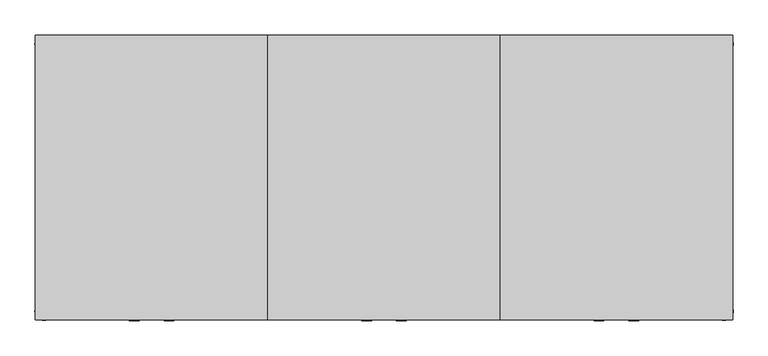
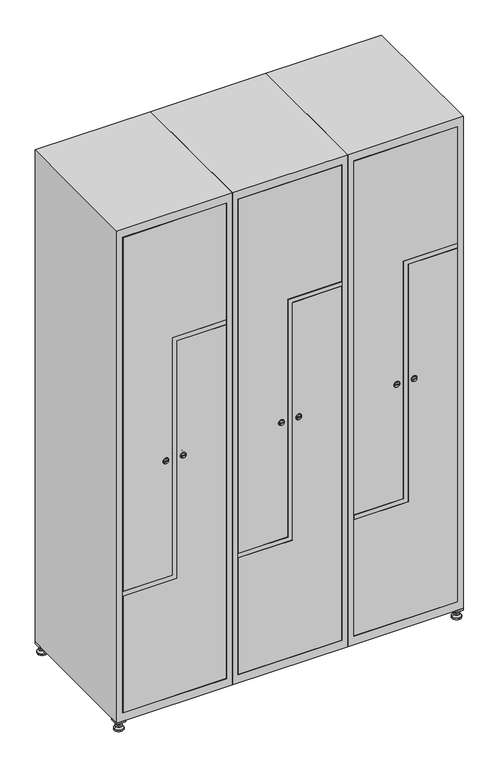
"""IFC4 building model written with IfcOpenShell, lengths in millimetres: furniture geometry."""

from ifc_helpers import new_model, si_unit, point, frame, frame_2d, origin, origin_with_axes, place, context, project, spatial, polyline, circle_curve, trimmed, segment, composite_curve, outline, extrude, faceted_brep, source, transform, mapped, element, save
from ifc_brep_helpers import plane_surface, revolved_surface, advanced_brep


def furniture_f9e3e058(model_context):
    return source(origin(), model_context, "Body", "SolidModel", [
        extrude(outline(polyline([(1000.0, 245.0), (1000.0, 215.0), (970.0, 215.0), (970.0, 245.0), (1000.0, 245.0)]), holes=[polyline([(998.0, 243.0), (972.0, 243.0), (972.0, 217.0), (998.0, 217.0), (998.0, 243.0)])]), frame((0.0, 0.0, 28.5), z_axis=(0.0, 0.0, 1.0), x_axis=(1.0, 0.0, 0.0)), (0.0, 0.0, 1.0), 6.5),
        extrude(outline(polyline([(970.0, -245.0), (970.0, -215.0), (1000.0, -215.0), (1000.0, -245.0), (970.0, -245.0)]), holes=[polyline([(972.0, -243.0), (998.0, -243.0), (998.0, -217.0), (972.0, -217.0), (972.0, -243.0)])]), frame((0.0, 0.0, 28.5), z_axis=(0.0, 0.0, 1.0), x_axis=(1.0, 0.0, 0.0)), (0.0, 0.0, 1.0), 6.5),
        extrude(outline(polyline([(-170.0, 245.0), (-170.0, 215.0), (-200.0, 215.0), (-200.0, 245.0), (-170.0, 245.0)]), holes=[polyline([(-172.0, 243.0), (-198.0, 243.0), (-198.0, 217.0), (-172.0, 217.0), (-172.0, 243.0)])]), frame((0.0, 0.0, 28.5), z_axis=(0.0, 0.0, 1.0), x_axis=(1.0, 0.0, 0.0)), (0.0, 0.0, 1.0), 6.5),
        extrude(outline(polyline([(-170.0, -215.0), (-170.0, -245.0), (-200.0, -245.0), (-200.0, -215.0), (-170.0, -215.0)]), holes=[polyline([(-198.0, -243.0), (-172.0, -243.0), (-172.0, -217.0), (-198.0, -217.0), (-198.0, -243.0)])]), frame((0.0, 0.0, 28.5), z_axis=(0.0, 0.0, 1.0), x_axis=(1.0, 0.0, 0.0)), (0.0, 0.0, 1.0), 6.5),
        extrude(outline(composite_curve([segment(trimmed(circle_curve(frame_2d((-185.0, 230.0)), 5.0), [point((-180.0, 230.0))], [point((-190.0, 230.0))], False, "CARTESIAN"), True, "CONTINUOUS"), segment(trimmed(circle_curve(frame_2d((-185.0, 230.0)), 5.0), [point((-190.0, 230.0))], [point((-180.0, 230.0))], False, "CARTESIAN"), True, "CONTINUOUS")], self_intersect=False)), frame((0.0, 0.0, 19.6), z_axis=(0.0, 0.0, 1.0), x_axis=(1.0, 0.0, 0.0)), (0.0, 0.0, 1.0), 15.4),
        extrude(outline(composite_curve([segment(trimmed(circle_curve(frame_2d((-185.0, -230.0)), 5.0), [point((-180.0, -230.0))], [point((-190.0, -230.0))], False, "CARTESIAN"), True, "CONTINUOUS"), segment(trimmed(circle_curve(frame_2d((-185.0, -230.0)), 5.0), [point((-190.0, -230.0))], [point((-180.0, -230.0))], False, "CARTESIAN"), True, "CONTINUOUS")], self_intersect=False)), frame((0.0, 0.0, 19.6), z_axis=(0.0, 0.0, 1.0), x_axis=(1.0, 0.0, 0.0)), (0.0, 0.0, 1.0), 15.4),
        extrude(outline(composite_curve([segment(trimmed(circle_curve(frame_2d((985.0, 230.0)), 5.0), [point((990.0, 230.0))], [point((980.0, 230.0))], False, "CARTESIAN"), True, "CONTINUOUS"), segment(trimmed(circle_curve(frame_2d((985.0, 230.0)), 5.0), [point((980.0, 230.0))], [point((990.0, 230.0))], False, "CARTESIAN"), True, "CONTINUOUS")], self_intersect=False)), frame((0.0, 0.0, 19.6), z_axis=(0.0, 0.0, 1.0), x_axis=(1.0, 0.0, 0.0)), (0.0, 0.0, 1.0), 15.4),
        extrude(outline(polyline([(973.4529946, 230.0), (979.2264973, 240.0), (990.7735027, 240.0), (996.5470054, 230.0), (990.7735027, 220.0), (979.2264973, 220.0), (973.4529946, 230.0)])), frame((0.0, 0.0, 13.6), z_axis=(0.0, 0.0, 1.0), x_axis=(1.0, 0.0, 0.0)), (0.0, 0.0, 1.0), 6.0),
        extrude(outline(composite_curve([segment(trimmed(circle_curve(frame_2d((985.0, -230.0)), 5.0), [point((990.0, -230.0))], [point((980.0, -230.0))], False, "CARTESIAN"), True, "CONTINUOUS"), segment(trimmed(circle_curve(frame_2d((985.0, -230.0)), 5.0), [point((980.0, -230.0))], [point((990.0, -230.0))], False, "CARTESIAN"), True, "CONTINUOUS")], self_intersect=False)), frame((0.0, 0.0, 19.6), z_axis=(0.0, 0.0, 1.0), x_axis=(1.0, 0.0, 0.0)), (0.0, 0.0, 1.0), 15.4),
        extrude(outline(polyline([(973.4529946, -230.0), (979.2264973, -220.0), (990.7735027, -220.0), (996.5470054, -230.0), (990.7735027, -240.0), (979.2264973, -240.0), (973.4529946, -230.0)])), frame((0.0, 0.0, 13.6), z_axis=(0.0, 0.0, 1.0), x_axis=(1.0, 0.0, 0.0)), (0.0, 0.0, 1.0), 6.0),
        extrude(outline(composite_curve([segment(trimmed(circle_curve(frame_2d((985.0, 230.0)), 5.0), [point((990.0, 230.0))], [point((980.0, 230.0))], False, "CARTESIAN"), True, "CONTINUOUS"), segment(trimmed(circle_curve(frame_2d((985.0, 230.0)), 5.0), [point((980.0, 230.0))], [point((990.0, 230.0))], False, "CARTESIAN"), True, "CONTINUOUS")], self_intersect=False)), frame((0.0, 0.0, 12.1), z_axis=(0.0, 0.0, 1.0), x_axis=(1.0, 0.0, 0.0)), (0.0, 0.0, 1.0), 1.5),
        extrude(outline(composite_curve([segment(trimmed(circle_curve(frame_2d((985.0, -230.0)), 5.0), [point((990.0, -230.0))], [point((980.0, -230.0))], False, "CARTESIAN"), True, "CONTINUOUS"), segment(trimmed(circle_curve(frame_2d((985.0, -230.0)), 5.0), [point((980.0, -230.0))], [point((990.0, -230.0))], False, "CARTESIAN"), True, "CONTINUOUS")], self_intersect=False)), frame((0.0, 0.0, 12.1), z_axis=(0.0, 0.0, 1.0), x_axis=(1.0, 0.0, 0.0)), (0.0, 0.0, 1.0), 1.5),
        extrude(outline(polyline([(-196.5470054, 230.0), (-190.7735027, 240.0), (-179.2264973, 240.0), (-173.4529946, 230.0), (-179.2264973, 220.0), (-190.7735027, 220.0), (-196.5470054, 230.0)])), frame((0.0, 0.0, 13.6), z_axis=(0.0, 0.0, 1.0), x_axis=(1.0, 0.0, 0.0)), (0.0, 0.0, 1.0), 6.0),
        extrude(outline(polyline([(-196.5470054, -230.0), (-190.7735027, -220.0), (-179.2264973, -220.0), (-173.4529946, -230.0), (-179.2264973, -240.0), (-190.7735027, -240.0), (-196.5470054, -230.0)])), frame((0.0, 0.0, 13.6), z_axis=(0.0, 0.0, 1.0), x_axis=(1.0, 0.0, 0.0)), (0.0, 0.0, 1.0), 6.0),
        extrude(outline(composite_curve([segment(trimmed(circle_curve(frame_2d((-185.0, 230.0)), 5.0), [point((-185.0, 235.0))], [point((-185.0, 225.0))], False, "CARTESIAN"), True, "CONTINUOUS"), segment(trimmed(circle_curve(frame_2d((-185.0, 230.0)), 5.0), [point((-185.0, 225.0))], [point((-185.0, 235.0))], False, "CARTESIAN"), True, "CONTINUOUS")], self_intersect=False)), frame((0.0, 0.0, 12.1), z_axis=(0.0, 0.0, 1.0), x_axis=(1.0, 0.0, 0.0)), (0.0, 0.0, 1.0), 1.5),
        extrude(outline(composite_curve([segment(trimmed(circle_curve(frame_2d((-185.0, -230.0)), 5.0), [point((-180.0, -230.0))], [point((-190.0, -230.0))], False, "CARTESIAN"), True, "CONTINUOUS"), segment(trimmed(circle_curve(frame_2d((-185.0, -230.0)), 5.0), [point((-190.0, -230.0))], [point((-180.0, -230.0))], False, "CARTESIAN"), True, "CONTINUOUS")], self_intersect=False)), frame((0.0, 0.0, 12.1), z_axis=(0.0, 0.0, 1.0), x_axis=(1.0, 0.0, 0.0)), (0.0, 0.0, 1.0), 1.5),
        extrude(outline(composite_curve([segment(trimmed(circle_curve(frame_2d((985.0, 230.0)), 15.75), [point((1000.75, 230.0))], [point((969.25, 230.0))], False, "CARTESIAN"), True, "CONTINUOUS"), segment(trimmed(circle_curve(frame_2d((985.0, 230.0)), 15.75), [point((969.25, 230.0))], [point((1000.75, 230.0))], False, "CARTESIAN"), True, "CONTINUOUS")], self_intersect=False)), origin_with_axes(), (0.0, 0.0, 1.0), 5.1),
        extrude(outline(composite_curve([segment(trimmed(circle_curve(frame_2d((985.0, -230.0)), 15.75), [point((985.0, -214.25))], [point((985.0, -245.75))], False, "CARTESIAN"), True, "CONTINUOUS"), segment(trimmed(circle_curve(frame_2d((985.0, -230.0)), 15.75), [point((985.0, -245.75))], [point((985.0, -214.25))], False, "CARTESIAN"), True, "CONTINUOUS")], self_intersect=False)), origin_with_axes(), (0.0, 0.0, 1.0), 5.1),
        extrude(outline(composite_curve([segment(trimmed(circle_curve(frame_2d((-185.0, -230.0)), 15.75), [point((-169.25, -230.0))], [point((-200.75, -230.0))], False, "CARTESIAN"), True, "CONTINUOUS"), segment(trimmed(circle_curve(frame_2d((-185.0, -230.0)), 15.75), [point((-200.75, -230.0))], [point((-169.25, -230.0))], False, "CARTESIAN"), True, "CONTINUOUS")], self_intersect=False)), origin_with_axes(), (0.0, 0.0, 1.0), 5.1),
        extrude(outline(composite_curve([segment(trimmed(circle_curve(frame_2d((-185.0, 230.0)), 15.75), [point((-169.25, 230.0))], [point((-200.75, 230.0))], False, "CARTESIAN"), True, "CONTINUOUS"), segment(trimmed(circle_curve(frame_2d((-185.0, 230.0)), 15.75), [point((-200.75, 230.0))], [point((-169.25, 230.0))], False, "CARTESIAN"), True, "CONTINUOUS")], self_intersect=False)), origin_with_axes(), (0.0, 0.0, 1.0), 5.1),
        advanced_brep(
        [(-185.0, 245.75, 5.1), (-185.0, 214.25, 5.1), (-185.0, 239.5, 12.1), (-185.0, 220.5, 12.1)],
        [
            (0, 1, circle_curve(frame((-185.0, 230.0, 5.1), z_axis=(0.0, 0.0, -1.0), x_axis=(0.0, 1.0, 0.0)), 15.75)),
            (1, 0, circle_curve(frame((-185.0, 230.0, 5.1), z_axis=(0.0, 0.0, -1.0), x_axis=(0.0, -1.0, 0.0)), 15.75)),
            (2, 3, circle_curve(frame((-185.0, 230.0, 12.1), z_axis=(0.0, 0.0, 1.0), x_axis=(0.0, -1.0, 0.0)), 9.5)),
            (3, 2, circle_curve(frame((-185.0, 230.0, 12.1), z_axis=(0.0, 0.0, 1.0), x_axis=(0.0, 1.0, 0.0)), 9.5)),
            (3, 1),
            (0, 2),
        ],
        [
            plane_surface(frame((-185.0, 230.0, 5.1), z_axis=(0.0, 0.0, -1.0), x_axis=(1.0, 0.0, 0.0))),
            plane_surface(frame((-185.0, 230.0, 12.1), z_axis=(0.0, 0.0, 1.0), x_axis=(1.0, 0.0, 0.0))),
            revolved_surface(polyline([(-185.0, 220.5, 12.099999999999998), (-185.0, 214.25, 5.099999999999998)]), (-185.0, 230.0, 22.74), (0.0, 0.0, -1.0)),
            revolved_surface(polyline([(-185.0, 239.5, 12.099999999999998), (-185.0, 245.75, 5.099999999999998)]), (-185.0, 230.0, 22.74), (0.0, 0.0, -1.0)),
        ],
        [
            (0, [[1, 2]]),
            (1, [[3, 4]]),
            (2, [[-4, 5, -1, 6]]),
            (3, [[-3, -6, -2, -5]]),
        ],
    ),
        advanced_brep(
        [(985.0, 245.75, 5.1), (985.0, 214.25, 5.1), (985.0, 239.5, 12.1), (985.0, 220.5, 12.1)],
        [
            (0, 1, circle_curve(frame((985.0, 230.0, 5.1), z_axis=(0.0, 0.0, -1.0), x_axis=(0.0, 1.0, 0.0)), 15.75)),
            (1, 0, circle_curve(frame((985.0, 230.0, 5.1), z_axis=(0.0, 0.0, -1.0), x_axis=(0.0, -1.0, 0.0)), 15.75)),
            (2, 3, circle_curve(frame((985.0, 230.0, 12.1), z_axis=(0.0, 0.0, 1.0), x_axis=(0.0, -1.0, 0.0)), 9.5)),
            (3, 2, circle_curve(frame((985.0, 230.0, 12.1), z_axis=(0.0, 0.0, 1.0), x_axis=(0.0, 1.0, 0.0)), 9.5)),
            (3, 1),
            (0, 2),
        ],
        [
            plane_surface(frame((985.0, 230.0, 5.1), z_axis=(0.0, 0.0, -1.0), x_axis=(1.0, 0.0, 0.0))),
            plane_surface(frame((985.0, 230.0, 12.1), z_axis=(0.0, 0.0, 1.0), x_axis=(1.0, 0.0, 0.0))),
            revolved_surface(polyline([(985.0, 220.5, 12.099999999999998), (985.0, 214.25, 5.099999999999998)]), (985.0, 230.0, 22.74), (0.0, 0.0, -1.0)),
            revolved_surface(polyline([(985.0, 239.5, 12.099999999999998), (985.0, 245.75, 5.099999999999998)]), (985.0, 230.0, 22.74), (0.0, 0.0, -1.0)),
        ],
        [
            (0, [[1, 2]]),
            (1, [[3, 4]]),
            (2, [[-4, 5, -1, 6]]),
            (3, [[-3, -6, -2, -5]]),
        ],
    ),
        advanced_brep(
        [(994.5, -230.0, 12.1), (975.5, -230.0, 12.1), (1000.75, -230.0, 5.1), (969.25, -230.0, 5.1)],
        [
            (0, 1, circle_curve(frame((985.0, -230.0, 12.1), z_axis=(0.0, 0.0, 1.0), x_axis=(1.0, 0.0, 0.0)), 9.5)),
            (1, 0, circle_curve(frame((985.0, -230.0, 12.1), z_axis=(0.0, 0.0, 1.0), x_axis=(-1.0, 0.0, 0.0)), 9.5)),
            (2, 3, circle_curve(frame((985.0, -230.0, 5.1), z_axis=(0.0, 0.0, -1.0), x_axis=(-1.0, 0.0, 0.0)), 15.75)),
            (3, 2, circle_curve(frame((985.0, -230.0, 5.1), z_axis=(0.0, 0.0, -1.0), x_axis=(1.0, 0.0, 0.0)), 15.75)),
            (3, 1),
            (0, 2),
        ],
        [
            plane_surface(frame((985.0, -230.0, 12.1), z_axis=(0.0, 0.0, 1.0), x_axis=(0.0, 1.0, 0.0))),
            plane_surface(frame((985.0, -230.0, 5.1), z_axis=(0.0, 0.0, -1.0), x_axis=(0.0, 1.0, 0.0))),
            revolved_surface(polyline([(994.5, -230.0, 12.099999999999998), (1000.75, -230.0, 5.099999999999998)]), (985.0, -230.0, 22.74), (0.0, 0.0, -1.0)),
            revolved_surface(polyline([(975.5, -230.0, 12.099999999999998), (969.25, -230.0, 5.099999999999998)]), (985.0, -230.0, 22.74), (0.0, 0.0, -1.0)),
        ],
        [
            (0, [[1, 2]]),
            (1, [[3, 4]]),
            (2, [[-4, 5, -1, 6]]),
            (3, [[-3, -6, -2, -5]]),
        ],
    ),
        advanced_brep(
        [(-175.5, -230.0, 12.1), (-194.5, -230.0, 12.1), (-169.25, -230.0, 5.1), (-200.75, -230.0, 5.1)],
        [
            (0, 1, circle_curve(frame((-185.0, -230.0, 12.1), z_axis=(0.0, 0.0, 1.0), x_axis=(1.0, 0.0, 0.0)), 9.5)),
            (1, 0, circle_curve(frame((-185.0, -230.0, 12.1), z_axis=(0.0, 0.0, 1.0), x_axis=(-1.0, 0.0, 0.0)), 9.5)),
            (2, 3, circle_curve(frame((-185.0, -230.0, 5.1), z_axis=(0.0, 0.0, -1.0), x_axis=(-1.0, 0.0, 0.0)), 15.75)),
            (3, 2, circle_curve(frame((-185.0, -230.0, 5.1), z_axis=(0.0, 0.0, -1.0), x_axis=(1.0, 0.0, 0.0)), 15.75)),
            (3, 1),
            (0, 2),
        ],
        [
            plane_surface(frame((-185.0, -230.0, 12.1), z_axis=(0.0, 0.0, 1.0), x_axis=(0.0, 1.0, 0.0))),
            plane_surface(frame((-185.0, -230.0, 5.1), z_axis=(0.0, 0.0, -1.0), x_axis=(0.0, 1.0, 0.0))),
            revolved_surface(polyline([(-175.5, -230.0, 12.099999999999998), (-169.25, -230.0, 5.099999999999998)]), (-185.0, -230.0, 22.74), (0.0, 0.0, -1.0)),
            revolved_surface(polyline([(-194.5, -230.0, 12.099999999999998), (-200.75, -230.0, 5.099999999999998)]), (-185.0, -230.0, 22.74), (0.0, 0.0, -1.0)),
        ],
        [
            (0, [[1, 2]]),
            (1, [[3, 4]]),
            (2, [[-4, 5, -1, 6]]),
            (3, [[-3, -6, -2, -5]]),
        ],
    ),
        extrude(outline(composite_curve([segment(trimmed(circle_curve(frame_2d((935.0, 796.7989466)), 7.0), [point((928.0, 796.7989466))], [point((942.0, 796.7989466))], False, "CARTESIAN"), True, "CONTINUOUS"), segment(polyline([(942.0, 796.7989466), (942.0, 768.7989466)]), True, "CONTINUOUS"), segment(trimmed(circle_curve(frame_2d((935.0, 768.7989466)), 7.0), [point((942.0, 768.7989466))], [point((928.0, 768.7989466))], False, "CARTESIAN"), True, "CONTINUOUS"), segment(polyline([(928.0, 768.7989466), (928.0, 796.7989466)]), True, "CONTINUOUS")], self_intersect=False)), frame((0.0, -227.0, 0.0), z_axis=(0.0, 1.0, 0.0), x_axis=(0.0, 0.0, 1.0)), (0.0, 0.0, 1.0), 2.0),
        advanced_brep(
        [(761.5, -247.2, 935.0), (778.5, -247.2, 935.0), (775.0, -247.2, 936.25), (775.0, -247.2, 933.75), (765.0, -247.2, 933.75), (765.0, -247.2, 936.25), (759.5, -245.0, 935.0), (780.5, -245.0, 935.0), (775.0, -245.0, 933.75), (775.0, -245.0, 936.25), (765.0, -245.0, 936.25), (765.0, -245.0, 933.75)],
        [
            (0, 1, circle_curve(frame((770.0, -247.2, 935.0), z_axis=(0.0, -1.0, 0.0), x_axis=(-1.0, 0.0, 0.0)), 8.5)),
            (1, 0, circle_curve(frame((770.0, -247.2, 935.0), z_axis=(0.0, -1.0, 0.0), x_axis=(1.0, 0.0, 0.0)), 8.5)),
            (2, 3),
            (3, 4),
            (4, 5),
            (5, 2),
            (6, 7, circle_curve(frame((770.0, -245.0, 935.0), z_axis=(0.0, 1.0, 0.0), x_axis=(1.0, 0.0, 0.0)), 10.5)),
            (7, 6, circle_curve(frame((770.0, -245.0, 935.0), z_axis=(0.0, 1.0, 0.0), x_axis=(-1.0, 0.0, 0.0)), 10.5)),
            (8, 9),
            (9, 10),
            (10, 11),
            (11, 8),
            (0, 6),
            (7, 1),
            (8, 3),
            (2, 9),
            (11, 4),
            (10, 5),
        ],
        [
            plane_surface(frame((770.0, -247.2, 935.0), z_axis=(0.0, -1.0, 0.0), x_axis=(0.0, 0.0, -1.0))),
            plane_surface(frame((770.0, -245.0, 935.0), z_axis=(0.0, 1.0, 0.0), x_axis=(0.0, 0.0, -1.0))),
            revolved_surface(polyline([(761.5, -247.2, 935.0), (759.5, -245.0, 935.0)]), (770.0, -256.55, 935.0), (0.0, 1.0, 0.0)),
            revolved_surface(polyline([(778.5, -247.2, 935.0), (780.5, -245.0, 935.0)]), (770.0, -256.55, 935.0), (0.0, 1.0, 0.0)),
            plane_surface(frame((775.0, -245.0, 936.25), z_axis=(-1.0, 0.0, 0.0), x_axis=(0.0, -1.0, 0.0))),
            plane_surface(frame((775.0, -245.0, 933.75), z_axis=(0.0, 0.0, 1.0), x_axis=(0.0, -1.0, 0.0))),
            plane_surface(frame((765.0, -245.0, 933.75), z_axis=(1.0, 0.0, 0.0), x_axis=(0.0, -1.0, 0.0))),
            plane_surface(frame((765.0, -245.0, 936.25), z_axis=(0.0, 0.0, -1.0), x_axis=(0.0, -1.0, 0.0))),
        ],
        [
            (0, [[1, 2], [3, 4, 5, 6]]),
            (1, [[7, 8], [9, 10, 11, 12]]),
            (2, [[-1, 13, -8, 14]]),
            (3, [[-2, -14, -7, -13]]),
            (4, [[15, -3, 16, -9]]),
            (5, [[-15, -12, 17, -4]]),
            (6, [[-17, -11, 18, -5]]),
            (7, [[-16, -6, -18, -10]]),
        ],
    ),
        extrude(outline(polyline([(1803.8, 621.4), (509.6, 621.4), (509.6, 791.0), (1378.4, 791.0), (1378.4, 978.6), (1803.8, 978.6), (1803.8, 621.4)])), frame((0.0, -245.0, 0.0), z_axis=(0.0, 1.0, 0.0), x_axis=(0.0, 0.0, 1.0)), (0.0, 0.0, 1.0), 18.0),
        extrude(outline(composite_curve([segment(trimmed(circle_curve(frame_2d((935.0, 803.2010534)), 7.0), [point((942.0, 803.2010534))], [point((928.0, 803.2010534))], False, "CARTESIAN"), True, "CONTINUOUS"), segment(polyline([(928.0, 803.2010534), (928.0, 831.2010534)]), True, "CONTINUOUS"), segment(trimmed(circle_curve(frame_2d((935.0, 831.2010534)), 7.0), [point((928.0, 831.2010534))], [point((942.0, 831.2010534))], False, "CARTESIAN"), True, "CONTINUOUS"), segment(polyline([(942.0, 831.2010534), (942.0, 803.2010534)]), True, "CONTINUOUS")], self_intersect=False)), frame((0.0, -227.0, 0.0), z_axis=(0.0, 1.0, 0.0), x_axis=(0.0, 0.0, 1.0)), (0.0, 0.0, 1.0), 2.0),
        advanced_brep(
        [(838.5, -247.2, 935.0), (821.5, -247.2, 935.0), (825.0, -247.2, 933.75), (825.0, -247.2, 936.25), (835.0, -247.2, 936.25), (835.0, -247.2, 933.75), (840.5, -245.0, 935.0), (819.5, -245.0, 935.0), (825.0, -245.0, 936.25), (825.0, -245.0, 933.75), (835.0, -245.0, 933.75), (835.0, -245.0, 936.25)],
        [
            (0, 1, circle_curve(frame((830.0, -247.2, 935.0), z_axis=(0.0, -1.0, 0.0), x_axis=(1.0, 0.0, 0.0)), 8.5)),
            (1, 0, circle_curve(frame((830.0, -247.2, 935.0), z_axis=(0.0, -1.0, 0.0), x_axis=(-1.0, 0.0, 0.0)), 8.5)),
            (2, 3),
            (3, 4),
            (4, 5),
            (5, 2),
            (6, 7, circle_curve(frame((830.0, -245.0, 935.0), z_axis=(0.0, 1.0, 0.0), x_axis=(-1.0, 0.0, 0.0)), 10.5)),
            (7, 6, circle_curve(frame((830.0, -245.0, 935.0), z_axis=(0.0, 1.0, 0.0), x_axis=(1.0, 0.0, 0.0)), 10.5)),
            (8, 9),
            (9, 10),
            (10, 11),
            (11, 8),
            (0, 6),
            (7, 1),
            (8, 3),
            (2, 9),
            (11, 4),
            (10, 5),
        ],
        [
            plane_surface(frame((830.0, -247.2, 935.0), z_axis=(0.0, -1.0, 0.0), x_axis=(0.0, 0.0, 1.0))),
            plane_surface(frame((830.0, -245.0, 935.0), z_axis=(0.0, 1.0, 0.0), x_axis=(0.0, 0.0, 1.0))),
            revolved_surface(polyline([(838.5, -247.2, 935.0), (840.5, -245.0, 935.0)]), (830.0, -256.55, 935.0), (0.0, 1.0, 0.0)),
            revolved_surface(polyline([(821.5, -247.2, 935.0), (819.5, -245.0, 935.0)]), (830.0, -256.55, 935.0), (0.0, 1.0, 0.0)),
            plane_surface(frame((825.0, -245.0, 933.75), z_axis=(1.0, 0.0, 0.0), x_axis=(0.0, -1.0, 0.0))),
            plane_surface(frame((825.0, -245.0, 936.25), z_axis=(0.0, 0.0, -1.0), x_axis=(0.0, -1.0, 0.0))),
            plane_surface(frame((835.0, -245.0, 936.25), z_axis=(-1.0, 0.0, 0.0), x_axis=(0.0, -1.0, 0.0))),
            plane_surface(frame((835.0, -245.0, 933.75), z_axis=(0.0, 0.0, 1.0), x_axis=(0.0, -1.0, 0.0))),
        ],
        [
            (0, [[1, 2], [3, 4, 5, 6]]),
            (1, [[7, 8], [9, 10, 11, 12]]),
            (2, [[-1, 13, -8, 14]]),
            (3, [[-2, -14, -7, -13]]),
            (4, [[15, -3, 16, -9]]),
            (5, [[-15, -12, 17, -4]]),
            (6, [[-17, -11, 18, -5]]),
            (7, [[-16, -6, -18, -10]]),
        ],
    ),
        extrude(outline(polyline([(66.2, 978.6), (1360.4, 978.6), (1360.4, 809.0), (491.6, 809.0), (491.6, 621.4), (66.2, 621.4), (66.2, 978.6)])), frame((0.0, -245.0, 0.0), z_axis=(0.0, 1.0, 0.0), x_axis=(0.0, 0.0, 1.0)), (0.0, 0.0, 1.0), 18.0),
        extrude(outline(polyline([(1361.4, 979.6), (1377.4, 979.6), (1377.4, 792.0), (508.6, 792.0), (508.6, 620.4), (492.6, 620.4), (492.6, 808.0), (1361.4, 808.0), (1361.4, 979.6)])), frame((0.0, -245.0, 0.0), z_axis=(0.0, 1.0, 0.0), x_axis=(0.0, 0.0, 1.0)), (0.0, 0.0, 1.0), 487.0),
        faceted_brep([(1000.0, -245.0, 35.0), (1000.0, -245.0, 1835.0), (600.0, -245.0, 1835.0), (600.0, -245.0, 35.0), (979.6, -245.0, 1804.8), (979.6, -245.0, 65.2), (620.4, -245.0, 65.2), (620.4, -245.0, 1804.8), (1000.0, 245.0, 35.0), (600.0, 245.0, 35.0), (1000.0, 245.0, 1835.0), (600.0, 245.0, 1835.0), (979.6, 242.0, 1804.8), (979.6, 242.0, 65.2), (600.0, 245.0, 1804.8), (620.4, 242.0, 1804.8), (620.4, 242.0, 65.2)], [[[0, 1, 2, 3], [4, 5, 6, 7]], [[8, 0, 3, 9]], [[1, 0, 8, 10]], [[1, 10, 11, 2]], [[4, 12, 13, 5]], [[9, 3, 2, 11, 14]], [[10, 8, 9, 14, 11]], [[12, 15, 16, 13]], [[15, 7, 6, 16]], [[4, 7, 15, 12]], [[6, 5, 13, 16]]]),
        extrude(outline(composite_curve([segment(trimmed(circle_curve(frame_2d((935.0, 396.7989466)), 7.0), [point((928.0, 396.7989466))], [point((942.0, 396.7989466))], False, "CARTESIAN"), True, "CONTINUOUS"), segment(polyline([(942.0, 396.7989466), (942.0, 368.7989466)]), True, "CONTINUOUS"), segment(trimmed(circle_curve(frame_2d((935.0, 368.7989466)), 7.0), [point((942.0, 368.7989466))], [point((928.0, 368.7989466))], False, "CARTESIAN"), True, "CONTINUOUS"), segment(polyline([(928.0, 368.7989466), (928.0, 396.7989466)]), True, "CONTINUOUS")], self_intersect=False)), frame((0.0, -227.0, 0.0), z_axis=(0.0, 1.0, 0.0), x_axis=(0.0, 0.0, 1.0)), (0.0, 0.0, 1.0), 2.0),
        advanced_brep(
        [(361.5, -247.2, 935.0), (378.5, -247.2, 935.0), (375.0, -247.2, 936.25), (375.0, -247.2, 933.75), (365.0, -247.2, 933.75), (365.0, -247.2, 936.25), (359.5, -245.0, 935.0), (380.5, -245.0, 935.0), (375.0, -245.0, 933.75), (375.0, -245.0, 936.25), (365.0, -245.0, 936.25), (365.0, -245.0, 933.75)],
        [
            (0, 1, circle_curve(frame((370.0, -247.2, 935.0), z_axis=(0.0, -1.0, 0.0), x_axis=(-1.0, 0.0, 0.0)), 8.5)),
            (1, 0, circle_curve(frame((370.0, -247.2, 935.0), z_axis=(0.0, -1.0, 0.0), x_axis=(1.0, 0.0, 0.0)), 8.5)),
            (2, 3),
            (3, 4),
            (4, 5),
            (5, 2),
            (6, 7, circle_curve(frame((370.0, -245.0, 935.0), z_axis=(0.0, 1.0, 0.0), x_axis=(1.0, 0.0, 0.0)), 10.5)),
            (7, 6, circle_curve(frame((370.0, -245.0, 935.0), z_axis=(0.0, 1.0, 0.0), x_axis=(-1.0, 0.0, 0.0)), 10.5)),
            (8, 9),
            (9, 10),
            (10, 11),
            (11, 8),
            (0, 6),
            (7, 1),
            (8, 3),
            (2, 9),
            (11, 4),
            (10, 5),
        ],
        [
            plane_surface(frame((370.0, -247.2, 935.0), z_axis=(0.0, -1.0, 0.0), x_axis=(0.0, 0.0, -1.0))),
            plane_surface(frame((370.0, -245.0, 935.0), z_axis=(0.0, 1.0, 0.0), x_axis=(0.0, 0.0, -1.0))),
            revolved_surface(polyline([(361.5, -247.2, 935.0), (359.5, -245.0, 935.0)]), (370.0, -256.55, 935.0), (0.0, 1.0, 0.0)),
            revolved_surface(polyline([(378.5, -247.2, 935.0), (380.5, -245.0, 935.0)]), (370.0, -256.55, 935.0), (0.0, 1.0, 0.0)),
            plane_surface(frame((375.0, -245.0, 936.25), z_axis=(-1.0, 0.0, 0.0), x_axis=(0.0, -1.0, 0.0))),
            plane_surface(frame((375.0, -245.0, 933.75), z_axis=(0.0, 0.0, 1.0), x_axis=(0.0, -1.0, 0.0))),
            plane_surface(frame((365.0, -245.0, 933.75), z_axis=(1.0, 0.0, 0.0), x_axis=(0.0, -1.0, 0.0))),
            plane_surface(frame((365.0, -245.0, 936.25), z_axis=(0.0, 0.0, -1.0), x_axis=(0.0, -1.0, 0.0))),
        ],
        [
            (0, [[1, 2], [3, 4, 5, 6]]),
            (1, [[7, 8], [9, 10, 11, 12]]),
            (2, [[-1, 13, -8, 14]]),
            (3, [[-2, -14, -7, -13]]),
            (4, [[15, -3, 16, -9]]),
            (5, [[-15, -12, 17, -4]]),
            (6, [[-17, -11, 18, -5]]),
            (7, [[-16, -6, -18, -10]]),
        ],
    ),
        extrude(outline(polyline([(1803.8, 221.4), (509.6, 221.4), (509.6, 391.0), (1378.4, 391.0), (1378.4, 578.6), (1803.8, 578.6), (1803.8, 221.4)])), frame((0.0, -245.0, 0.0), z_axis=(0.0, 1.0, 0.0), x_axis=(0.0, 0.0, 1.0)), (0.0, 0.0, 1.0), 18.0),
        extrude(outline(composite_curve([segment(trimmed(circle_curve(frame_2d((935.0, 403.2010534)), 7.0), [point((942.0, 403.2010534))], [point((928.0, 403.2010534))], False, "CARTESIAN"), True, "CONTINUOUS"), segment(polyline([(928.0, 403.2010534), (928.0, 431.2010534)]), True, "CONTINUOUS"), segment(trimmed(circle_curve(frame_2d((935.0, 431.2010534)), 7.0), [point((928.0, 431.2010534))], [point((942.0, 431.2010534))], False, "CARTESIAN"), True, "CONTINUOUS"), segment(polyline([(942.0, 431.2010534), (942.0, 403.2010534)]), True, "CONTINUOUS")], self_intersect=False)), frame((0.0, -227.0, 0.0), z_axis=(0.0, 1.0, 0.0), x_axis=(0.0, 0.0, 1.0)), (0.0, 0.0, 1.0), 2.0),
        advanced_brep(
        [(438.5, -247.2, 935.0), (421.5, -247.2, 935.0), (425.0, -247.2, 933.75), (425.0, -247.2, 936.25), (435.0, -247.2, 936.25), (435.0, -247.2, 933.75), (440.5, -245.0, 935.0), (419.5, -245.0, 935.0), (425.0, -245.0, 936.25), (425.0, -245.0, 933.75), (435.0, -245.0, 933.75), (435.0, -245.0, 936.25)],
        [
            (0, 1, circle_curve(frame((430.0, -247.2, 935.0), z_axis=(0.0, -1.0, 0.0), x_axis=(1.0, 0.0, 0.0)), 8.5)),
            (1, 0, circle_curve(frame((430.0, -247.2, 935.0), z_axis=(0.0, -1.0, 0.0), x_axis=(-1.0, 0.0, 0.0)), 8.5)),
            (2, 3),
            (3, 4),
            (4, 5),
            (5, 2),
            (6, 7, circle_curve(frame((430.0, -245.0, 935.0), z_axis=(0.0, 1.0, 0.0), x_axis=(-1.0, 0.0, 0.0)), 10.5)),
            (7, 6, circle_curve(frame((430.0, -245.0, 935.0), z_axis=(0.0, 1.0, 0.0), x_axis=(1.0, 0.0, 0.0)), 10.5)),
            (8, 9),
            (9, 10),
            (10, 11),
            (11, 8),
            (0, 6),
            (7, 1),
            (8, 3),
            (2, 9),
            (11, 4),
            (10, 5),
        ],
        [
            plane_surface(frame((430.0, -247.2, 935.0), z_axis=(0.0, -1.0, 0.0), x_axis=(0.0, 0.0, 1.0))),
            plane_surface(frame((430.0, -245.0, 935.0), z_axis=(0.0, 1.0, 0.0), x_axis=(0.0, 0.0, 1.0))),
            revolved_surface(polyline([(438.5, -247.2, 935.0), (440.5, -245.0, 935.0)]), (430.0, -256.55, 935.0), (0.0, 1.0, 0.0)),
            revolved_surface(polyline([(421.5, -247.2, 935.0), (419.5, -245.0, 935.0)]), (430.0, -256.55, 935.0), (0.0, 1.0, 0.0)),
            plane_surface(frame((425.0, -245.0, 933.75), z_axis=(1.0, 0.0, 0.0), x_axis=(0.0, -1.0, 0.0))),
            plane_surface(frame((425.0, -245.0, 936.25), z_axis=(0.0, 0.0, -1.0), x_axis=(0.0, -1.0, 0.0))),
            plane_surface(frame((435.0, -245.0, 936.25), z_axis=(-1.0, 0.0, 0.0), x_axis=(0.0, -1.0, 0.0))),
            plane_surface(frame((435.0, -245.0, 933.75), z_axis=(0.0, 0.0, 1.0), x_axis=(0.0, -1.0, 0.0))),
        ],
        [
            (0, [[1, 2], [3, 4, 5, 6]]),
            (1, [[7, 8], [9, 10, 11, 12]]),
            (2, [[-1, 13, -8, 14]]),
            (3, [[-2, -14, -7, -13]]),
            (4, [[15, -3, 16, -9]]),
            (5, [[-15, -12, 17, -4]]),
            (6, [[-17, -11, 18, -5]]),
            (7, [[-16, -6, -18, -10]]),
        ],
    ),
        extrude(outline(polyline([(66.2, 578.6), (1360.4, 578.6), (1360.4, 409.0), (491.6, 409.0), (491.6, 221.4), (66.2, 221.4), (66.2, 578.6)])), frame((0.0, -245.0, 0.0), z_axis=(0.0, 1.0, 0.0), x_axis=(0.0, 0.0, 1.0)), (0.0, 0.0, 1.0), 18.0),
        extrude(outline(polyline([(1361.4, 579.6), (1377.4, 579.6), (1377.4, 392.0), (508.6, 392.0), (508.6, 220.4), (492.6, 220.4), (492.6, 408.0), (1361.4, 408.0), (1361.4, 579.6)])), frame((0.0, -245.0, 0.0), z_axis=(0.0, 1.0, 0.0), x_axis=(0.0, 0.0, 1.0)), (0.0, 0.0, 1.0), 487.0),
        faceted_brep([(600.0, -245.0, 35.0), (600.0, -245.0, 1835.0), (200.0, -245.0, 1835.0), (200.0, -245.0, 35.0), (579.6, -245.0, 1804.8), (579.6, -245.0, 65.2), (220.4, -245.0, 65.2), (220.4, -245.0, 1804.8), (600.0, 245.0, 35.0), (200.0, 245.0, 35.0), (600.0, 245.0, 1835.0), (200.0, 245.0, 1835.0), (579.6, 242.0, 1804.8), (579.6, 242.0, 65.2), (200.0, 245.0, 1804.8), (220.4, 242.0, 1804.8), (220.4, 242.0, 65.2)], [[[0, 1, 2, 3], [4, 5, 6, 7]], [[8, 0, 3, 9]], [[1, 0, 8, 10]], [[1, 10, 11, 2]], [[4, 12, 13, 5]], [[9, 3, 2, 11, 14]], [[10, 8, 9, 14, 11]], [[12, 15, 16, 13]], [[15, 7, 6, 16]], [[4, 7, 15, 12]], [[6, 5, 13, 16]]]),
        extrude(outline(composite_curve([segment(trimmed(circle_curve(frame_2d((935.0, -3.2010534)), 7.0), [point((928.0, -3.2010534))], [point((942.0, -3.2010534))], False, "CARTESIAN"), True, "CONTINUOUS"), segment(polyline([(942.0, -3.2010534), (942.0, -31.2010534)]), True, "CONTINUOUS"), segment(trimmed(circle_curve(frame_2d((935.0, -31.2010534)), 7.0), [point((942.0, -31.2010534))], [point((928.0, -31.2010534))], False, "CARTESIAN"), True, "CONTINUOUS"), segment(polyline([(928.0, -31.2010534), (928.0, -3.2010534)]), True, "CONTINUOUS")], self_intersect=False)), frame((0.0, -227.0, 0.0), z_axis=(0.0, 1.0, 0.0), x_axis=(0.0, 0.0, 1.0)), (0.0, 0.0, 1.0), 2.0),
        advanced_brep(
        [(-38.5, -247.2, 935.0), (-21.5, -247.2, 935.0), (-25.0, -247.2, 936.25), (-25.0, -247.2, 933.75), (-35.0, -247.2, 933.75), (-35.0, -247.2, 936.25), (-40.5, -245.0, 935.0), (-19.5, -245.0, 935.0), (-25.0, -245.0, 933.75), (-25.0, -245.0, 936.25), (-35.0, -245.0, 936.25), (-35.0, -245.0, 933.75)],
        [
            (0, 1, circle_curve(frame((-30.0, -247.2, 935.0), z_axis=(0.0, -1.0, 0.0), x_axis=(-1.0, 0.0, 0.0)), 8.5)),
            (1, 0, circle_curve(frame((-30.0, -247.2, 935.0), z_axis=(0.0, -1.0, 0.0), x_axis=(1.0, 0.0, 0.0)), 8.5)),
            (2, 3),
            (3, 4),
            (4, 5),
            (5, 2),
            (6, 7, circle_curve(frame((-30.0, -245.0, 935.0), z_axis=(0.0, 1.0, 0.0), x_axis=(1.0, 0.0, 0.0)), 10.5)),
            (7, 6, circle_curve(frame((-30.0, -245.0, 935.0), z_axis=(0.0, 1.0, 0.0), x_axis=(-1.0, 0.0, 0.0)), 10.5)),
            (8, 9),
            (9, 10),
            (10, 11),
            (11, 8),
            (0, 6),
            (7, 1),
            (8, 3),
            (2, 9),
            (11, 4),
            (10, 5),
        ],
        [
            plane_surface(frame((-30.0, -247.2, 935.0), z_axis=(0.0, -1.0, 0.0), x_axis=(0.0, 0.0, -1.0))),
            plane_surface(frame((-30.0, -245.0, 935.0), z_axis=(0.0, 1.0, 0.0), x_axis=(0.0, 0.0, -1.0))),
            revolved_surface(polyline([(-38.500000000000014, -247.2, 935.0), (-40.5, -245.0, 935.0)]), (-30.0, -256.55, 935.0), (0.0, 1.0, 0.0)),
            revolved_surface(polyline([(-21.499999999999986, -247.2, 935.0), (-19.5, -245.0, 935.0)]), (-30.0, -256.55, 935.0), (0.0, 1.0, 0.0)),
            plane_surface(frame((-25.0, -245.0, 936.25), z_axis=(-1.0, 0.0, 0.0), x_axis=(0.0, -1.0, 0.0))),
            plane_surface(frame((-25.0, -245.0, 933.75), z_axis=(0.0, 0.0, 1.0), x_axis=(0.0, -1.0, 0.0))),
            plane_surface(frame((-35.0, -245.0, 933.75), z_axis=(1.0, 0.0, 0.0), x_axis=(0.0, -1.0, 0.0))),
            plane_surface(frame((-35.0, -245.0, 936.25), z_axis=(0.0, 0.0, -1.0), x_axis=(0.0, -1.0, 0.0))),
        ],
        [
            (0, [[1, 2], [3, 4, 5, 6]]),
            (1, [[7, 8], [9, 10, 11, 12]]),
            (2, [[-1, 13, -8, 14]]),
            (3, [[-2, -14, -7, -13]]),
            (4, [[15, -3, 16, -9]]),
            (5, [[-15, -12, 17, -4]]),
            (6, [[-17, -11, 18, -5]]),
            (7, [[-16, -6, -18, -10]]),
        ],
    ),
        extrude(outline(polyline([(1803.8, -178.6), (509.6, -178.6), (509.6, -9.0), (1378.4, -9.0), (1378.4, 178.6), (1803.8, 178.6), (1803.8, -178.6)])), frame((0.0, -245.0, 0.0), z_axis=(0.0, 1.0, 0.0), x_axis=(0.0, 0.0, 1.0)), (0.0, 0.0, 1.0), 18.0),
        extrude(outline(composite_curve([segment(trimmed(circle_curve(frame_2d((935.0, 3.2010534)), 7.0), [point((942.0, 3.2010534))], [point((928.0, 3.2010534))], False, "CARTESIAN"), True, "CONTINUOUS"), segment(polyline([(928.0, 3.2010534), (928.0, 31.2010534)]), True, "CONTINUOUS"), segment(trimmed(circle_curve(frame_2d((935.0, 31.2010534)), 7.0), [point((928.0, 31.2010534))], [point((942.0, 31.2010534))], False, "CARTESIAN"), True, "CONTINUOUS"), segment(polyline([(942.0, 31.2010534), (942.0, 3.2010534)]), True, "CONTINUOUS")], self_intersect=False)), frame((0.0, -227.0, 0.0), z_axis=(0.0, 1.0, 0.0), x_axis=(0.0, 0.0, 1.0)), (0.0, 0.0, 1.0), 2.0),
        advanced_brep(
        [(38.5, -247.2, 935.0), (21.5, -247.2, 935.0), (25.0, -247.2, 933.75), (25.0, -247.2, 936.25), (35.0, -247.2, 936.25), (35.0, -247.2, 933.75), (40.5, -245.0, 935.0), (19.5, -245.0, 935.0), (25.0, -245.0, 936.25), (25.0, -245.0, 933.75), (35.0, -245.0, 933.75), (35.0, -245.0, 936.25)],
        [
            (0, 1, circle_curve(frame((30.0, -247.2, 935.0), z_axis=(0.0, -1.0, 0.0), x_axis=(1.0, 0.0, 0.0)), 8.5)),
            (1, 0, circle_curve(frame((30.0, -247.2, 935.0), z_axis=(0.0, -1.0, 0.0), x_axis=(-1.0, 0.0, 0.0)), 8.5)),
            (2, 3),
            (3, 4),
            (4, 5),
            (5, 2),
            (6, 7, circle_curve(frame((30.0, -245.0, 935.0), z_axis=(0.0, 1.0, 0.0), x_axis=(-1.0, 0.0, 0.0)), 10.5)),
            (7, 6, circle_curve(frame((30.0, -245.0, 935.0), z_axis=(0.0, 1.0, 0.0), x_axis=(1.0, 0.0, 0.0)), 10.5)),
            (8, 9),
            (9, 10),
            (10, 11),
            (11, 8),
            (0, 6),
            (7, 1),
            (8, 3),
            (2, 9),
            (11, 4),
            (10, 5),
        ],
        [
            plane_surface(frame((30.0, -247.2, 935.0), z_axis=(0.0, -1.0, 0.0), x_axis=(0.0, 0.0, 1.0))),
            plane_surface(frame((30.0, -245.0, 935.0), z_axis=(0.0, 1.0, 0.0), x_axis=(0.0, 0.0, 1.0))),
            revolved_surface(polyline([(38.500000000000014, -247.2, 935.0), (40.5, -245.0, 935.0)]), (30.0, -256.55, 935.0), (0.0, 1.0, 0.0)),
            revolved_surface(polyline([(21.499999999999986, -247.2, 935.0), (19.5, -245.0, 935.0)]), (30.0, -256.55, 935.0), (0.0, 1.0, 0.0)),
            plane_surface(frame((25.0, -245.0, 933.75), z_axis=(1.0, 0.0, 0.0), x_axis=(0.0, -1.0, 0.0))),
            plane_surface(frame((25.0, -245.0, 936.25), z_axis=(0.0, 0.0, -1.0), x_axis=(0.0, -1.0, 0.0))),
            plane_surface(frame((35.0, -245.0, 936.25), z_axis=(-1.0, 0.0, 0.0), x_axis=(0.0, -1.0, 0.0))),
            plane_surface(frame((35.0, -245.0, 933.75), z_axis=(0.0, 0.0, 1.0), x_axis=(0.0, -1.0, 0.0))),
        ],
        [
            (0, [[1, 2], [3, 4, 5, 6]]),
            (1, [[7, 8], [9, 10, 11, 12]]),
            (2, [[-1, 13, -8, 14]]),
            (3, [[-2, -14, -7, -13]]),
            (4, [[15, -3, 16, -9]]),
            (5, [[-15, -12, 17, -4]]),
            (6, [[-17, -11, 18, -5]]),
            (7, [[-16, -6, -18, -10]]),
        ],
    ),
        extrude(outline(polyline([(66.2, 178.6), (1360.4, 178.6), (1360.4, 9.0), (491.6, 9.0), (491.6, -178.6), (66.2, -178.6), (66.2, 178.6)])), frame((0.0, -245.0, 0.0), z_axis=(0.0, 1.0, 0.0), x_axis=(0.0, 0.0, 1.0)), (0.0, 0.0, 1.0), 18.0),
        extrude(outline(polyline([(1361.4, 179.6), (1377.4, 179.6), (1377.4, -8.0), (508.6, -8.0), (508.6, -179.6), (492.6, -179.6), (492.6, 8.0), (1361.4, 8.0), (1361.4, 179.6)])), frame((0.0, -245.0, 0.0), z_axis=(0.0, 1.0, 0.0), x_axis=(0.0, 0.0, 1.0)), (0.0, 0.0, 1.0), 487.0),
        faceted_brep([(200.0, -245.0, 35.0), (200.0, -245.0, 1835.0), (-200.0, -245.0, 1835.0), (-200.0, -245.0, 35.0), (179.6, -245.0, 1804.8), (179.6, -245.0, 65.2), (-179.6, -245.0, 65.2), (-179.6, -245.0, 1804.8), (200.0, 245.0, 35.0), (-200.0, 245.0, 35.0), (200.0, 245.0, 1835.0), (-200.0, 245.0, 1835.0), (179.6, 242.0, 1804.8), (179.6, 242.0, 65.2), (-200.0, 245.0, 1804.8), (-179.6, 242.0, 1804.8), (-179.6, 242.0, 65.2)], [[[0, 1, 2, 3], [4, 5, 6, 7]], [[8, 0, 3, 9]], [[1, 0, 8, 10]], [[1, 10, 11, 2]], [[4, 12, 13, 5]], [[9, 3, 2, 11, 14]], [[10, 8, 9, 14, 11]], [[12, 15, 16, 13]], [[15, 7, 6, 16]], [[4, 7, 15, 12]], [[6, 5, 13, 16]]]),
    ])


if __name__ == "__main__":
    model = new_model("IFC4")
    model_context = context("Model", 3, world=origin())
    ifc_project = project(units=[si_unit("LENGTHUNIT", "METRE", prefix="MILLI")], contexts=[model_context])
    site = spatial("IfcSite", under=ifc_project)
    building = spatial("IfcBuilding", under=site)
    placement = place(None, origin())
    furniture_shape = furniture_f9e3e058(model_context)
    element("IfcFurniture", 1, at=placement, inside=building, context=model_context, shape_type="MappedRepresentation", body=[
        mapped(furniture_shape, transform((0.0, 0.0, 0.0), x_axis=(1.0, 0.0, 0.0), y_axis=(0.0, 1.0, 0.0), z_axis=(0.0, 0.0, 1.0))),
    ])
    save(model, "model.ifc")
